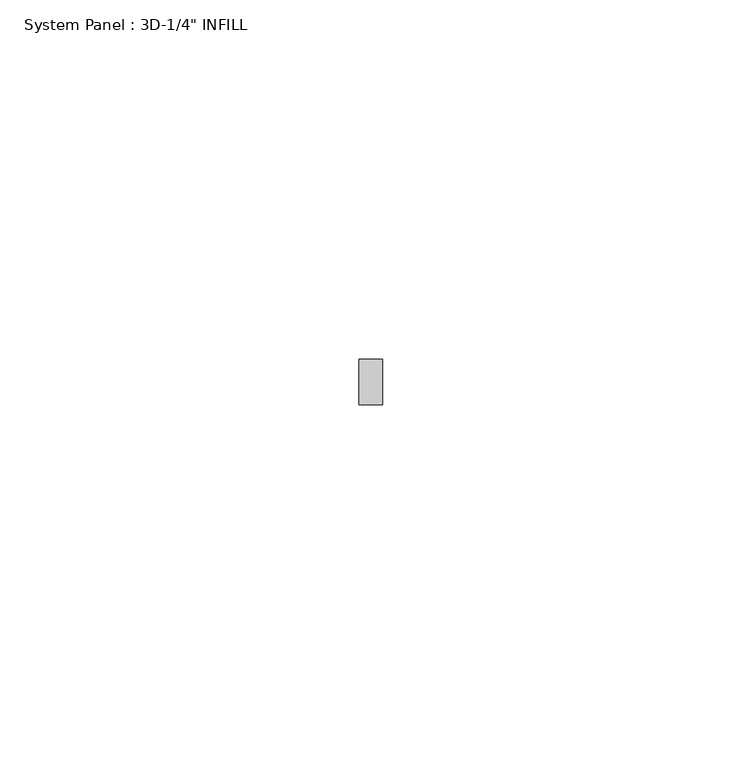
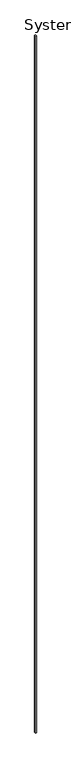
"""IFC4 building model written with IfcOpenShell, lengths in millimetres: plate geometry."""

from ifc_helpers import new_model, si_unit, frame, origin, place, context, project, spatial, polyline, outline, extrude, source, transform, mapped, element, save


def plate_269e2c96(model_context):
    return source(origin(), model_context, "Body", "SweptSolid", [
        extrude(outline(polyline([(0.0, -1.6339344), (0.0, 1.6339344), (1219.2, 1.6339344), (3047.20625, 1.6339344), (3047.20625, -1.6339344), (1219.2, -1.6339344), (0.0, -1.6339344)])), frame((0.0, -3.175, 0.0), z_axis=(0.0, 1.0, 0.0), x_axis=(0.0, 0.0, 1.0)), (0.0, 0.0, 1.0), 6.35),
    ])


if __name__ == "__main__":
    model = new_model("IFC4")
    model_context = context("Model", 3, world=origin())
    ifc_project = project(units=[si_unit("LENGTHUNIT", "METRE", prefix="MILLI")], contexts=[model_context])
    site = spatial("IfcSite", under=ifc_project)
    building = spatial("IfcBuilding", under=site)
    placement = place(None, origin())
    plate_shape = plate_269e2c96(model_context)
    element("IfcPlate", 1, ObjectType="System Panel : 3D-1/4\" INFILL", at=placement, inside=building, context=model_context, shape_type="MappedRepresentation", body=[
        mapped(plate_shape, transform((0.0, 0.0, 0.0), x_axis=(1.0, 0.0, 0.0), y_axis=(0.0, 1.0, 0.0), z_axis=(0.0, 0.0, 1.0))),
    ])
    save(model, "model.ifc")
